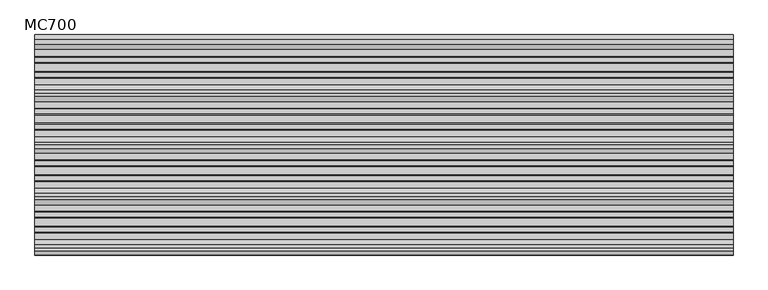
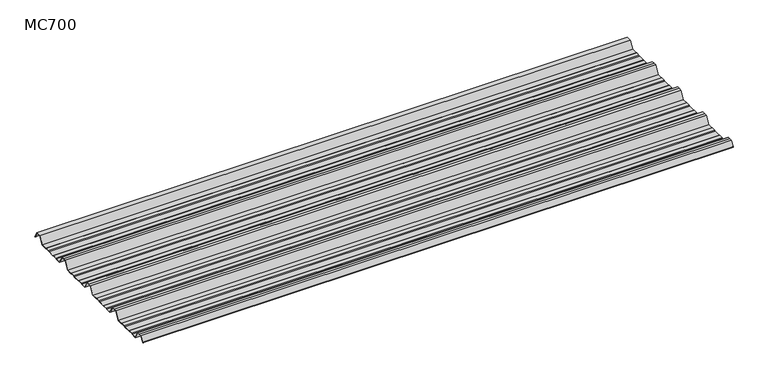
"""IFC4 building model written with IfcOpenShell, lengths in millimetres: beam geometry, MC700."""

from ifc_helpers import new_model, si_unit, point, frame, frame_2d, origin, place, context, project, spatial, polyline, circle_curve, trimmed, segment, composite_curve, outline, extrude, source, transform, mapped, element, save


def mc700_619c7554(model_context):
    return source(origin(), model_context, "Body", "SweptSolid", [
        extrude(outline(composite_curve([segment(polyline([(-279.7790109, -25.7896475), (-284.1593286, -23.7494212), (-300.5873198, -23.7494212), (-303.802364, -25.7896475), (-326.5000016, -25.7896475), (-344.5745116, 5.2103525), (-355.0, 5.2103525), (-365.4254884, 5.2103525), (-383.4999984, -25.7896475), (-406.197636, -25.7896475), (-409.4126802, -23.7494212), (-425.8406714, -23.7494212), (-430.2209891, -25.7896475), (-457.2790109, -25.7896475), (-461.6593286, -23.7494212), (-478.0873198, -23.7494212), (-481.302364, -25.7896475), (-504.0000016, -25.7896475), (-522.0745116, 5.2103525), (-532.5, 5.2103525), (-542.9254884, 5.2103525), (-560.9999984, -25.7896475), (-583.697636, -25.7896475), (-586.9126802, -23.7494212), (-603.3406714, -23.7494212), (-607.7209891, -25.7896475), (-634.7790109, -25.7896475), (-639.1593286, -23.7494212), (-655.5873198, -23.7494212), (-658.802364, -25.7896475), (-681.5000016, -25.7896475), (-699.5745116, 5.2103525), (-710.0, 5.2103525), (-720.4254884, 5.2103525), (-732.728303, -15.8904825)]), True, "CONTINUOUS"), segment(trimmed(circle_curve(frame_2d((-733.160246, -15.6386387)), 0.5), [point((-732.728303, -15.8904825))], [point((-733.5921889, -15.3867949))], False, "CARTESIAN"), True, "CONTINUOUS"), segment(polyline([(-733.5921889, -15.3867949), (-721.0, 6.2103525), (-710.0, 6.2103525), (-699.0, 6.2103525), (-680.92549, -24.7896475), (-659.0928785, -24.7896475), (-655.8778343, -22.7494212), (-638.9378651, -22.7494212), (-634.5575473, -24.7896475), (-607.9424527, -24.7896475), (-603.5621349, -22.7494212), (-586.6221657, -22.7494212), (-583.4071215, -24.7896475), (-561.57451, -24.7896475), (-543.5, 6.2103525), (-532.5, 6.2103525), (-521.5, 6.2103525), (-503.42549, -24.7896475), (-481.5928785, -24.7896475), (-478.3778343, -22.7494212), (-461.4378651, -22.7494212), (-457.0575473, -24.7896475), (-430.4424527, -24.7896475), (-426.0621349, -22.7494212), (-409.1221657, -22.7494212), (-405.9071215, -24.7896475), (-384.07451, -24.7896475), (-366.0, 6.2103525), (-355.0, 6.2103525), (-344.0, 6.2103525), (-325.92549, -24.7896475), (-304.0928785, -24.7896475), (-300.8778343, -22.7494212), (-283.9378651, -22.7494212), (-279.5575473, -24.7896475), (-252.9424527, -24.7896475), (-248.5621349, -22.7494212), (-231.6221657, -22.7494212), (-228.4071215, -24.7896475), (-206.57451, -24.7896475), (-188.5, 6.2103525), (-177.5, 6.2103525), (-166.5, 6.2103525), (-148.42549, -24.7896475), (-126.5928785, -24.7896475), (-123.3778343, -22.7494212), (-106.4378651, -22.7494212), (-102.0575473, -24.7896475), (-75.4424527, -24.7896475), (-71.0621349, -22.7494212), (-54.1221657, -22.7494212), (-50.9071215, -24.7896475), (-26.7593894, -24.7896475), (-9.8509769, 4.2103525), (9.8509769, 4.2103525), (24.2964926, -20.5654776)]), True, "CONTINUOUS"), segment(trimmed(circle_curve(frame_2d((23.8645497, -20.8173214)), 0.5), [point((24.2964926, -20.5654776))], [point((23.4326067, -21.0691651))], False, "CARTESIAN"), True, "CONTINUOUS"), segment(polyline([(23.4326067, -21.0691651), (9.2764653, 3.2103525), (-9.2764653, 3.2103525), (-26.1848779, -25.7896475), (-51.197636, -25.7896475), (-54.4126802, -23.7494212), (-70.8406714, -23.7494212), (-75.2209891, -25.7896475), (-102.2790109, -25.7896475), (-106.6593286, -23.7494212), (-123.0873198, -23.7494212), (-126.302364, -25.7896475), (-149.0000016, -25.7896475), (-167.0745116, 5.2103525), (-177.5, 5.2103525), (-187.9254884, 5.2103525), (-205.9999984, -25.7896475), (-228.697636, -25.7896475), (-231.9126802, -23.7494212), (-248.3406714, -23.7494212), (-252.7209891, -25.7896475), (-279.7790109, -25.7896475)]), True, "CONTINUOUS")], self_intersect=False)), frame((-1199.2502756, 0.0, 0.0), z_axis=(1.0, 0.0, 0.0), x_axis=(0.0, 1.0, 0.0)), (0.0, 0.0, 1.0), 2398.5005512),
    ])


if __name__ == "__main__":
    model = new_model("IFC4")
    model_context = context("Model", 3, world=origin())
    ifc_project = project(units=[si_unit("LENGTHUNIT", "METRE", prefix="MILLI")], contexts=[model_context])
    site = spatial("IfcSite", under=ifc_project)
    building = spatial("IfcBuilding", under=site)
    placement = place(None, origin())
    mc700_shape = mc700_619c7554(model_context)
    element("IfcBeam", 1, ObjectType="MC700", at=placement, inside=building, context=model_context, shape_type="MappedRepresentation", body=[
        mapped(mc700_shape, transform((0.0, 0.0, 0.0), x_axis=(1.0, 0.0, 0.0), y_axis=(0.0, 1.0, 0.0), z_axis=(0.0, 0.0, 1.0))),
    ])
    save(model, "model.ifc")
